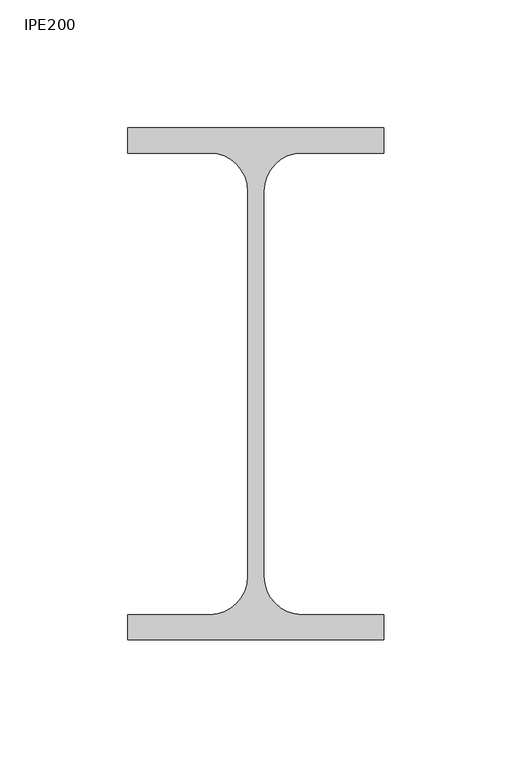
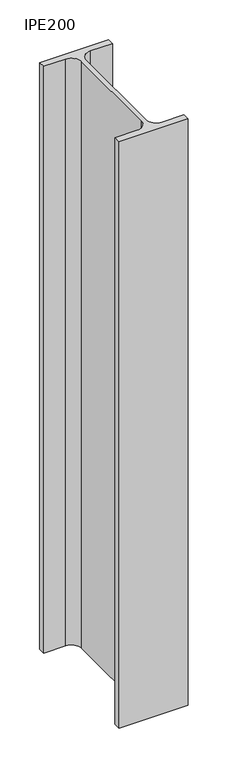
"""IFC4 building model written with IfcOpenShell, lengths in millimetres: column geometry, IPE200."""

import ifcopenshell
import ifcopenshell.guid

model = None  # the IFC model being written
_history = None  # IfcOwnerHistory: only IFC2X3 demands one
_inside = {}  # id of a spatial element -> (the spatial element, [elements in it])
_under = {}  # id of a project, library or spatial element -> (it, [spatial elements below it])
_declared = {}  # id of a project -> (the project, [libraries it declares])
_typed = {}  # id of a type object -> (the type object, [elements of that type])
_made_of = {}  # id of a material, layer set ... -> (it, [elements and type objects made of it])


def new_model(schema):
    """Start an empty IFC model of exactly this schema.

    Asked for "IFC4X3", IfcOpenShell would pick the latest addendum, in which some entities
    have other attributes; the version numbers below select the first issue.
    IFC2X3 requires an IfcOwnerHistory on every rooted entity: one is made here for all.
    """
    global model, _history
    if schema == "IFC4X3":
        model = ifcopenshell.file(schema_version=(4, 3, 0, 0))
    else:
        model = ifcopenshell.file(schema=schema)
    _inside.clear()
    _under.clear()
    _declared.clear()
    _typed.clear()
    _made_of.clear()
    _history = None
    if model.schema == "IFC2X3":
        org = make("IfcOrganization", Name="unknown")
        user = make(
            "IfcPersonAndOrganization",
            ThePerson=make("IfcPerson", FamilyName="unknown"),
            TheOrganization=org,
        )
        app = make(
            "IfcApplication",
            ApplicationDeveloper=org,
            Version="unknown",
            ApplicationFullName="unknown",
            ApplicationIdentifier="unknown",
        )
        _history = make(
            "IfcOwnerHistory",
            OwningUser=user,
            OwningApplication=app,
            ChangeAction="ADDED",
            CreationDate=0,
        )
    return model


def make(cls, **values):
    """One entity of the class cls with the attributes given. An attribute that is None is left unset."""
    return model.create_entity(
        cls, **{name: value for name, value in values.items() if value is not None}
    )


def rooted(cls, **values):
    """An entity with a GlobalId (a new one), such as an element, a storey or a relation."""
    return make(cls, GlobalId=ifcopenshell.guid.new(), OwnerHistory=_history, **values)


def si_unit(unit_type, name, prefix=None):
    """IfcSIUnit, for example si_unit("LENGTHUNIT", "METRE", prefix="MILLI")."""
    return make("IfcSIUnit", UnitType=unit_type, Prefix=prefix, Name=name)


def assignment(units):
    """IfcUnitAssignment: the units of a project."""
    return None if units is None else make("IfcUnitAssignment", Units=units)


def point(xyz):
    """IfcCartesianPoint."""
    return None if xyz is None else make("IfcCartesianPoint", Coordinates=xyz)


def direction(xyz):
    """IfcDirection."""
    return None if xyz is None else make("IfcDirection", DirectionRatios=xyz)


def frame(location, z_axis=None, x_axis=None):
    """IfcAxis2Placement3D, a coordinate frame: its origin and axes. An axis left out is left unset."""
    return make(
        "IfcAxis2Placement3D",
        Location=point(location),
        Axis=direction(z_axis),
        RefDirection=direction(x_axis),
    )


def frame_2d(location, x_axis=None):
    """IfcAxis2Placement2D, a coordinate frame in the plane: its origin and x axis."""
    return make(
        "IfcAxis2Placement2D", Location=point(location), RefDirection=direction(x_axis)
    )


def origin():
    """The frame at (0, 0, 0) with its axes left unset."""
    return frame((0.0, 0.0, 0.0))


def place(relative_to, where):
    """IfcLocalPlacement: puts the frame where relative to a parent placement (None: the world)."""
    return make(
        "IfcLocalPlacement", PlacementRelTo=relative_to, RelativePlacement=where
    )


def context(
    kind, dimensions, precision=None, world=None, true_north=None, identifier=None
):
    """IfcGeometricRepresentationContext, for example the 3D "Model" context."""
    return make(
        "IfcGeometricRepresentationContext",
        ContextIdentifier=identifier,
        ContextType=kind,
        CoordinateSpaceDimension=dimensions,
        Precision=precision,
        WorldCoordinateSystem=world,
        TrueNorth=true_north,
    )


def project(units=None, contexts=None):
    """IfcProject with its units and contexts."""
    return rooted(
        "IfcProject",
        Name="project",
        RepresentationContexts=contexts,
        UnitsInContext=assignment(units),
    )


def spatial(cls, under=None, at=None, **own):
    """A site, building, storey or space (cls), placed at a placement, below another one or the project."""
    s = rooted(cls, ObjectPlacement=at, **own)
    if under is not None:
        _under.setdefault(under.id(), (under, []))[1].append(s)
    return s


def polyline(points):
    """IfcPolyline through the points."""
    return make("IfcPolyline", Points=[point(p) for p in points])


def circle_curve(where, radius):
    """IfcCircle in the frame where."""
    return make("IfcCircle", Position=where, Radius=radius)


def trimmed(basis, trim1, trim2, sense, master):
    """IfcTrimmedCurve: the piece of a basis curve between two trims."""
    return make(
        "IfcTrimmedCurve",
        BasisCurve=basis,
        Trim1=trim1,
        Trim2=trim2,
        SenseAgreement=sense,
        MasterRepresentation=master,
    )


def segment(curve, same_sense, transition):
    """IfcCompositeCurveSegment."""
    return make(
        "IfcCompositeCurveSegment",
        Transition=transition,
        SameSense=same_sense,
        ParentCurve=curve,
    )


def composite_curve(segments, self_intersect=None):
    """IfcCompositeCurve: segments joined end to end."""
    return make("IfcCompositeCurve", Segments=segments, SelfIntersect=self_intersect)


def outline(outer, holes=None, kind="AREA"):
    """IfcArbitraryClosedProfileDef: a profile drawn as a closed curve; with holes, ...WithVoids."""
    if holes is None:
        return make("IfcArbitraryClosedProfileDef", ProfileType=kind, OuterCurve=outer)
    return make(
        "IfcArbitraryProfileDefWithVoids",
        ProfileType=kind,
        OuterCurve=outer,
        InnerCurves=holes,
    )


def extrude(swept, where, along, depth):
    """IfcExtrudedAreaSolid: the profile swept, set in the frame where, extruded along a direction by depth."""
    return make(
        "IfcExtrudedAreaSolid",
        SweptArea=swept,
        Position=where,
        ExtrudedDirection=direction(along),
        Depth=depth,
    )


def shape(context_of_items, identifier, shape_type, items):
    """IfcShapeRepresentation: the items that make up one representation, for example the "Body"."""
    return make(
        "IfcShapeRepresentation",
        ContextOfItems=context_of_items,
        RepresentationIdentifier=identifier,
        RepresentationType=shape_type,
        Items=items,
    )


def source(mapping_origin, context_of_items, identifier, shape_type, items):
    """IfcRepresentationMap: a shape defined once, which mapped items show again and again."""
    return make(
        "IfcRepresentationMap",
        MappingOrigin=mapping_origin,
        MappedRepresentation=shape(context_of_items, identifier, shape_type, items),
    )


def transform(
    local_origin,
    x_axis=None,
    y_axis=None,
    z_axis=None,
    scale=None,
    scale2=None,
    scale3=None,
    uniform=True,
):
    """IfcCartesianTransformationOperator3D, or its non-uniform kind. x_axis, y_axis, z_axis: its Axis1, 2, 3."""
    if uniform:
        return make(
            "IfcCartesianTransformationOperator3D",
            Axis1=direction(x_axis),
            Axis2=direction(y_axis),
            LocalOrigin=point(local_origin),
            Scale=scale,
            Axis3=direction(z_axis),
        )
    return make(
        "IfcCartesianTransformationOperator3DnonUniform",
        Axis1=direction(x_axis),
        Axis2=direction(y_axis),
        LocalOrigin=point(local_origin),
        Scale=scale,
        Axis3=direction(z_axis),
        Scale2=scale2,
        Scale3=scale3,
    )


def mapped(mapping_source, mapping_target):
    """IfcMappedItem: shows the shape of a source again, moved by a transform."""
    return make(
        "IfcMappedItem", MappingSource=mapping_source, MappingTarget=mapping_target
    )


def made_of(thing, what):
    """Note that an element or type object is made of a material, layer set ...; save() writes the relation."""
    if what is not None:
        _made_of.setdefault(what.id(), (what, []))[1].append(thing)
    return thing


def element(
    cls,
    number,
    at=None,
    inside=None,
    cuts=None,
    type_object=None,
    material=None,
    context=None,
    identifier="Body",
    shape_type=None,
    held_by="IfcProductDefinitionShape",
    body=None,
    shapes=None,
    **own,
):
    """One element of the class cls, such as IfcWall. Its Tag is "e" and its number.

    at: its placement. inside: the storey or other place that contains it. cuts: it is an
    opening in that element (IfcRelVoidsElement). A single representation is given by context,
    identifier, shape_type and body (its items); several are given by shapes. held_by: the class
    of the entity that holds the representations. save() writes the other relations.
    """
    e = rooted(cls, Tag="e%d" % number, ObjectPlacement=at, **own)
    if body is not None:
        shapes = [shape(context, identifier, shape_type, body)]
    if shapes is not None:
        e.Representation = make(held_by, Representations=shapes)
    if inside is not None:
        _inside.setdefault(inside.id(), (inside, []))[1].append(e)
    if cuts is not None:
        rooted(
            "IfcRelVoidsElement", RelatingBuildingElement=cuts, RelatedOpeningElement=e
        )
    if type_object is not None:
        _typed.setdefault(type_object.id(), (type_object, []))[1].append(e)
    return made_of(e, material)


def aggregate(whole, parts):
    """IfcRelAggregates: a whole, such as a stair, and the parts it consists of."""
    return rooted("IfcRelAggregates", RelatingObject=whole, RelatedObjects=parts)


def save(model, path):
    """Write the relations noted so far, then the file.

    IfcRelAggregates (storeys below a building ...), IfcRelContainedInSpatialStructure (elements
    in a storey), IfcRelDefinesByType, IfcRelAssociatesMaterial and IfcRelDeclares: one each for
    every whole, place, type object, material and project.
    """
    for whole, parts in _under.values():
        aggregate(whole, parts)
    for where, things in _inside.values():
        rooted(
            "IfcRelContainedInSpatialStructure",
            RelatedElements=things,
            RelatingStructure=where,
        )
    for kind, things in _typed.values():
        rooted("IfcRelDefinesByType", RelatedObjects=things, RelatingType=kind)
    for what, things in _made_of.values():
        rooted("IfcRelAssociatesMaterial", RelatedObjects=things, RelatingMaterial=what)
    for by, libraries in _declared.values():
        rooted("IfcRelDeclares", RelatingContext=by, RelatedDefinitions=libraries)
    model.write(path)


def ipe200_1e3d3232(model_context):
    return source(origin(), model_context, "Body", "SweptSolid", [
        extrude(outline(composite_curve([segment(polyline([(50.0, 100.0), (50.0, 90.2), (18.1, 90.2)]), True, "CONTINUOUS"), segment(trimmed(circle_curve(frame_2d((18.1, 75.2)), 15.0), [point((18.1, 90.2))], [point((3.1, 75.2))], True, "CARTESIAN"), True, "CONTINUOUS"), segment(polyline([(3.1, 75.2), (3.1, -75.2)]), True, "CONTINUOUS"), segment(trimmed(circle_curve(frame_2d((18.1, -75.2)), 15.0), [point((3.1, -75.2))], [point((18.1, -90.2))], True, "CARTESIAN"), True, "CONTINUOUS"), segment(polyline([(18.1, -90.2), (50.0, -90.2), (50.0, -100.0), (-50.0, -100.0), (-50.0, -90.2), (-18.1, -90.2)]), True, "CONTINUOUS"), segment(trimmed(circle_curve(frame_2d((-18.1, -75.2)), 15.0), [point((-18.1, -90.2))], [point((-3.1, -75.2))], True, "CARTESIAN"), True, "CONTINUOUS"), segment(polyline([(-3.1, -75.2), (-3.1, 75.2)]), True, "CONTINUOUS"), segment(trimmed(circle_curve(frame_2d((-18.1, 75.2)), 15.0), [point((-3.1, 75.2))], [point((-18.1, 90.2))], True, "CARTESIAN"), True, "CONTINUOUS"), segment(polyline([(-18.1, 90.2), (-50.0, 90.2), (-50.0, 100.0), (50.0, 100.0)]), True, "CONTINUOUS")], self_intersect=False)), frame((0.0, 0.0, 9350.0), z_axis=(0.0, 0.0, 1.0), x_axis=(1.0, 0.0, 0.0)), (0.0, 0.0, 1.0), 900.0),
    ])


if __name__ == "__main__":
    model = new_model("IFC4")
    model_context = context("Model", 3, world=origin())
    ifc_project = project(units=[si_unit("LENGTHUNIT", "METRE", prefix="MILLI")], contexts=[model_context])
    site = spatial("IfcSite", under=ifc_project)
    building = spatial("IfcBuilding", under=site)
    placement = place(None, origin())
    ipe200_shape = ipe200_1e3d3232(model_context)
    element("IfcColumn", 1, ObjectType="IPE200", at=placement, inside=building, context=model_context, shape_type="MappedRepresentation", body=[
        mapped(ipe200_shape, transform((0.0, 0.0, 0.0), x_axis=(1.0, 0.0, 0.0), y_axis=(0.0, 1.0, 0.0), z_axis=(0.0, 0.0, 1.0))),
    ])
    save(model, "model.ifc")
